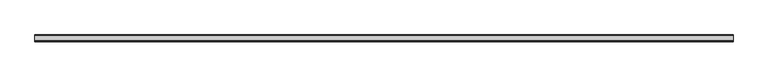
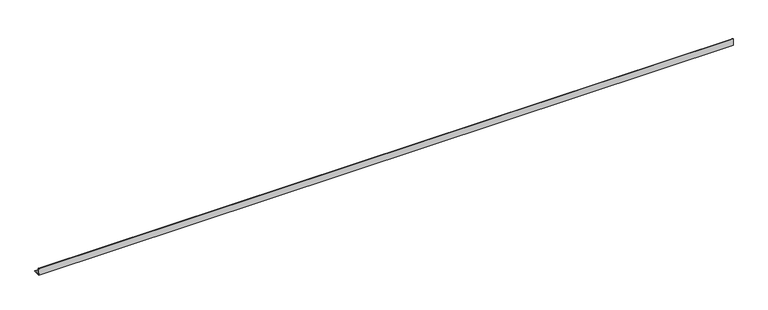
"""IFC4 building model written with IfcOpenShell, lengths in millimetres: beam geometry."""

import ifcopenshell
import ifcopenshell.guid

model = None  # the IFC model being written
_history = None  # IfcOwnerHistory: only IFC2X3 demands one
_inside = {}  # id of a spatial element -> (the spatial element, [elements in it])
_under = {}  # id of a project, library or spatial element -> (it, [spatial elements below it])
_declared = {}  # id of a project -> (the project, [libraries it declares])
_typed = {}  # id of a type object -> (the type object, [elements of that type])
_made_of = {}  # id of a material, layer set ... -> (it, [elements and type objects made of it])


def new_model(schema):
    """Start an empty IFC model of exactly this schema.

    Asked for "IFC4X3", IfcOpenShell would pick the latest addendum, in which some entities
    have other attributes; the version numbers below select the first issue.
    IFC2X3 requires an IfcOwnerHistory on every rooted entity: one is made here for all.
    """
    global model, _history
    if schema == "IFC4X3":
        model = ifcopenshell.file(schema_version=(4, 3, 0, 0))
    else:
        model = ifcopenshell.file(schema=schema)
    _inside.clear()
    _under.clear()
    _declared.clear()
    _typed.clear()
    _made_of.clear()
    _history = None
    if model.schema == "IFC2X3":
        org = make("IfcOrganization", Name="unknown")
        user = make(
            "IfcPersonAndOrganization",
            ThePerson=make("IfcPerson", FamilyName="unknown"),
            TheOrganization=org,
        )
        app = make(
            "IfcApplication",
            ApplicationDeveloper=org,
            Version="unknown",
            ApplicationFullName="unknown",
            ApplicationIdentifier="unknown",
        )
        _history = make(
            "IfcOwnerHistory",
            OwningUser=user,
            OwningApplication=app,
            ChangeAction="ADDED",
            CreationDate=0,
        )
    return model


def make(cls, **values):
    """One entity of the class cls with the attributes given. An attribute that is None is left unset."""
    return model.create_entity(
        cls, **{name: value for name, value in values.items() if value is not None}
    )


def rooted(cls, **values):
    """An entity with a GlobalId (a new one), such as an element, a storey or a relation."""
    return make(cls, GlobalId=ifcopenshell.guid.new(), OwnerHistory=_history, **values)


def si_unit(unit_type, name, prefix=None):
    """IfcSIUnit, for example si_unit("LENGTHUNIT", "METRE", prefix="MILLI")."""
    return make("IfcSIUnit", UnitType=unit_type, Prefix=prefix, Name=name)


def assignment(units):
    """IfcUnitAssignment: the units of a project."""
    return None if units is None else make("IfcUnitAssignment", Units=units)


def point(xyz):
    """IfcCartesianPoint."""
    return None if xyz is None else make("IfcCartesianPoint", Coordinates=xyz)


def direction(xyz):
    """IfcDirection."""
    return None if xyz is None else make("IfcDirection", DirectionRatios=xyz)


def frame(location, z_axis=None, x_axis=None):
    """IfcAxis2Placement3D, a coordinate frame: its origin and axes. An axis left out is left unset."""
    return make(
        "IfcAxis2Placement3D",
        Location=point(location),
        Axis=direction(z_axis),
        RefDirection=direction(x_axis),
    )


def frame_2d(location, x_axis=None):
    """IfcAxis2Placement2D, a coordinate frame in the plane: its origin and x axis."""
    return make(
        "IfcAxis2Placement2D", Location=point(location), RefDirection=direction(x_axis)
    )


def origin():
    """The frame at (0, 0, 0) with its axes left unset."""
    return frame((0.0, 0.0, 0.0))


def place(relative_to, where):
    """IfcLocalPlacement: puts the frame where relative to a parent placement (None: the world)."""
    return make(
        "IfcLocalPlacement", PlacementRelTo=relative_to, RelativePlacement=where
    )


def context(
    kind, dimensions, precision=None, world=None, true_north=None, identifier=None
):
    """IfcGeometricRepresentationContext, for example the 3D "Model" context."""
    return make(
        "IfcGeometricRepresentationContext",
        ContextIdentifier=identifier,
        ContextType=kind,
        CoordinateSpaceDimension=dimensions,
        Precision=precision,
        WorldCoordinateSystem=world,
        TrueNorth=true_north,
    )


def project(units=None, contexts=None):
    """IfcProject with its units and contexts."""
    return rooted(
        "IfcProject",
        Name="project",
        RepresentationContexts=contexts,
        UnitsInContext=assignment(units),
    )


def spatial(cls, under=None, at=None, **own):
    """A site, building, storey or space (cls), placed at a placement, below another one or the project."""
    s = rooted(cls, ObjectPlacement=at, **own)
    if under is not None:
        _under.setdefault(under.id(), (under, []))[1].append(s)
    return s


def polyline(points):
    """IfcPolyline through the points."""
    return make("IfcPolyline", Points=[point(p) for p in points])


def circle_curve(where, radius):
    """IfcCircle in the frame where."""
    return make("IfcCircle", Position=where, Radius=radius)


def trimmed(basis, trim1, trim2, sense, master):
    """IfcTrimmedCurve: the piece of a basis curve between two trims."""
    return make(
        "IfcTrimmedCurve",
        BasisCurve=basis,
        Trim1=trim1,
        Trim2=trim2,
        SenseAgreement=sense,
        MasterRepresentation=master,
    )


def segment(curve, same_sense, transition):
    """IfcCompositeCurveSegment."""
    return make(
        "IfcCompositeCurveSegment",
        Transition=transition,
        SameSense=same_sense,
        ParentCurve=curve,
    )


def composite_curve(segments, self_intersect=None):
    """IfcCompositeCurve: segments joined end to end."""
    return make("IfcCompositeCurve", Segments=segments, SelfIntersect=self_intersect)


def outline(outer, holes=None, kind="AREA"):
    """IfcArbitraryClosedProfileDef: a profile drawn as a closed curve; with holes, ...WithVoids."""
    if holes is None:
        return make("IfcArbitraryClosedProfileDef", ProfileType=kind, OuterCurve=outer)
    return make(
        "IfcArbitraryProfileDefWithVoids",
        ProfileType=kind,
        OuterCurve=outer,
        InnerCurves=holes,
    )


def extrude(swept, where, along, depth):
    """IfcExtrudedAreaSolid: the profile swept, set in the frame where, extruded along a direction by depth."""
    return make(
        "IfcExtrudedAreaSolid",
        SweptArea=swept,
        Position=where,
        ExtrudedDirection=direction(along),
        Depth=depth,
    )


def shape(context_of_items, identifier, shape_type, items):
    """IfcShapeRepresentation: the items that make up one representation, for example the "Body"."""
    return make(
        "IfcShapeRepresentation",
        ContextOfItems=context_of_items,
        RepresentationIdentifier=identifier,
        RepresentationType=shape_type,
        Items=items,
    )


def source(mapping_origin, context_of_items, identifier, shape_type, items):
    """IfcRepresentationMap: a shape defined once, which mapped items show again and again."""
    return make(
        "IfcRepresentationMap",
        MappingOrigin=mapping_origin,
        MappedRepresentation=shape(context_of_items, identifier, shape_type, items),
    )


def transform(
    local_origin,
    x_axis=None,
    y_axis=None,
    z_axis=None,
    scale=None,
    scale2=None,
    scale3=None,
    uniform=True,
):
    """IfcCartesianTransformationOperator3D, or its non-uniform kind. x_axis, y_axis, z_axis: its Axis1, 2, 3."""
    if uniform:
        return make(
            "IfcCartesianTransformationOperator3D",
            Axis1=direction(x_axis),
            Axis2=direction(y_axis),
            LocalOrigin=point(local_origin),
            Scale=scale,
            Axis3=direction(z_axis),
        )
    return make(
        "IfcCartesianTransformationOperator3DnonUniform",
        Axis1=direction(x_axis),
        Axis2=direction(y_axis),
        LocalOrigin=point(local_origin),
        Scale=scale,
        Axis3=direction(z_axis),
        Scale2=scale2,
        Scale3=scale3,
    )


def mapped(mapping_source, mapping_target):
    """IfcMappedItem: shows the shape of a source again, moved by a transform."""
    return make(
        "IfcMappedItem", MappingSource=mapping_source, MappingTarget=mapping_target
    )


def made_of(thing, what):
    """Note that an element or type object is made of a material, layer set ...; save() writes the relation."""
    if what is not None:
        _made_of.setdefault(what.id(), (what, []))[1].append(thing)
    return thing


def element(
    cls,
    number,
    at=None,
    inside=None,
    cuts=None,
    type_object=None,
    material=None,
    context=None,
    identifier="Body",
    shape_type=None,
    held_by="IfcProductDefinitionShape",
    body=None,
    shapes=None,
    **own,
):
    """One element of the class cls, such as IfcWall. Its Tag is "e" and its number.

    at: its placement. inside: the storey or other place that contains it. cuts: it is an
    opening in that element (IfcRelVoidsElement). A single representation is given by context,
    identifier, shape_type and body (its items); several are given by shapes. held_by: the class
    of the entity that holds the representations. save() writes the other relations.
    """
    e = rooted(cls, Tag="e%d" % number, ObjectPlacement=at, **own)
    if body is not None:
        shapes = [shape(context, identifier, shape_type, body)]
    if shapes is not None:
        e.Representation = make(held_by, Representations=shapes)
    if inside is not None:
        _inside.setdefault(inside.id(), (inside, []))[1].append(e)
    if cuts is not None:
        rooted(
            "IfcRelVoidsElement", RelatingBuildingElement=cuts, RelatedOpeningElement=e
        )
    if type_object is not None:
        _typed.setdefault(type_object.id(), (type_object, []))[1].append(e)
    return made_of(e, material)


def aggregate(whole, parts):
    """IfcRelAggregates: a whole, such as a stair, and the parts it consists of."""
    return rooted("IfcRelAggregates", RelatingObject=whole, RelatedObjects=parts)


def save(model, path):
    """Write the relations noted so far, then the file.

    IfcRelAggregates (storeys below a building ...), IfcRelContainedInSpatialStructure (elements
    in a storey), IfcRelDefinesByType, IfcRelAssociatesMaterial and IfcRelDeclares: one each for
    every whole, place, type object, material and project.
    """
    for whole, parts in _under.values():
        aggregate(whole, parts)
    for where, things in _inside.values():
        rooted(
            "IfcRelContainedInSpatialStructure",
            RelatedElements=things,
            RelatingStructure=where,
        )
    for kind, things in _typed.values():
        rooted("IfcRelDefinesByType", RelatedObjects=things, RelatingType=kind)
    for what, things in _made_of.values():
        rooted("IfcRelAssociatesMaterial", RelatedObjects=things, RelatingMaterial=what)
    for by, libraries in _declared.values():
        rooted("IfcRelDeclares", RelatingContext=by, RelatedDefinitions=libraries)
    model.write(path)


def beam_8d2dac3a(model_context):
    return source(origin(), model_context, "Body", "SweptSolid", [
        extrude(outline(composite_curve([segment(polyline([(-21.3, -21.3), (-21.3, 53.7), (-18.3, 53.7)]), True, "CONTINUOUS"), segment(trimmed(circle_curve(frame_2d((-18.3, 48.7)), 5.0), [point((-18.3, 53.7))], [point((-13.3, 48.7))], False, "CARTESIAN"), True, "CONTINUOUS"), segment(polyline([(-13.3, 48.7), (-13.3, -5.3)]), True, "CONTINUOUS"), segment(trimmed(circle_curve(frame_2d((-5.3, -5.3)), 8.0), [point((-13.3, -5.3))], [point((-5.3, -13.3))], True, "CARTESIAN"), True, "CONTINUOUS"), segment(polyline([(-5.3, -13.3), (48.7, -13.3)]), True, "CONTINUOUS"), segment(trimmed(circle_curve(frame_2d((48.7, -18.3)), 5.0), [point((48.7, -13.3))], [point((53.7, -18.3))], False, "CARTESIAN"), True, "CONTINUOUS"), segment(polyline([(53.7, -18.3), (53.7, -21.3), (-21.3, -21.3)]), True, "CONTINUOUS")], self_intersect=False)), frame((-3880.0, 0.0, 0.0), z_axis=(1.0, 0.0, 0.0), x_axis=(0.0, 1.0, 0.0)), (0.0, 0.0, 1.0), 7709.0),
    ])


if __name__ == "__main__":
    model = new_model("IFC4")
    model_context = context("Model", 3, world=origin())
    ifc_project = project(units=[si_unit("LENGTHUNIT", "METRE", prefix="MILLI")], contexts=[model_context])
    site = spatial("IfcSite", under=ifc_project)
    building = spatial("IfcBuilding", under=site)
    placement = place(None, origin())
    beam_shape = beam_8d2dac3a(model_context)
    element("IfcBeam", 1, at=placement, inside=building, context=model_context, shape_type="MappedRepresentation", body=[
        mapped(beam_shape, transform((0.0, 0.0, 0.0), x_axis=(1.0, 0.0, 0.0), y_axis=(0.0, 1.0, 0.0), z_axis=(0.0, 0.0, 1.0))),
    ])
    save(model, "model.ifc")
